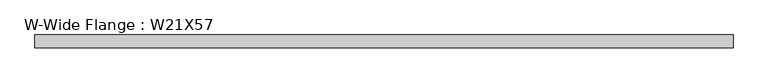
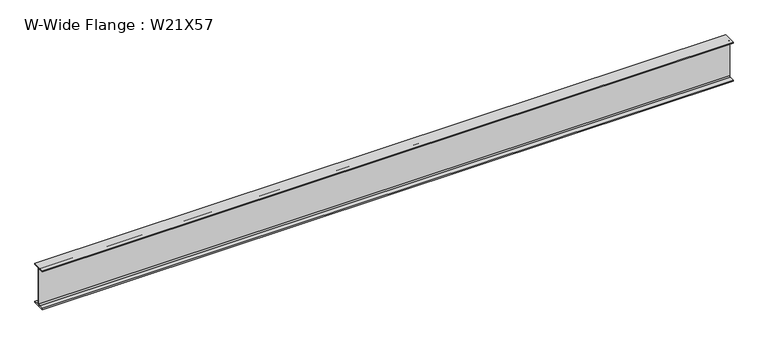
"""IFC4 building model written with IfcOpenShell, lengths in millimetres: beam geometry, W-Wide Flange : W21X57."""

from ifc_helpers import new_model, si_unit, point, frame, frame_2d, origin, place, context, project, spatial, polyline, circle_curve, trimmed, segment, composite_curve, outline, extrude, source, transform, mapped, element, save


def w_wide_flange_w21x57_67bdc6f0(model_context):
    return source(origin(), model_context, "Body", "SweptSolid", [
        extrude(outline(composite_curve([segment(polyline([(83.2941406, -251.5195313), (83.2941406, -267.9898438), (-83.2941406, -267.9898438), (-83.2941406, -251.5195313), (-22.0265625, -251.5195313)]), True, "CONTINUOUS"), segment(trimmed(circle_curve(frame_2d((-22.0265625, -234.6523438)), 16.8671875), [point((-22.0265625, -251.5195313))], [point((-5.159375, -234.6523438))], True, "CARTESIAN"), True, "CONTINUOUS"), segment(polyline([(-5.159375, -234.6523438), (-5.159375, 234.6523437)]), True, "CONTINUOUS"), segment(trimmed(circle_curve(frame_2d((-22.0265625, 234.6523437)), 16.8671875), [point((-5.159375, 234.6523437))], [point((-22.0265625, 251.5195312))], True, "CARTESIAN"), True, "CONTINUOUS"), segment(polyline([(-22.0265625, 251.5195312), (-83.2941406, 251.5195312), (-83.2941406, 267.9898437), (83.2941406, 267.9898437), (83.2941406, 251.5195312), (22.0265625, 251.5195312)]), True, "CONTINUOUS"), segment(trimmed(circle_curve(frame_2d((22.0265625, 234.6523437)), 16.8671875), [point((22.0265625, 251.5195312))], [point((5.159375, 234.6523437))], True, "CARTESIAN"), True, "CONTINUOUS"), segment(polyline([(5.159375, 234.6523437), (5.159375, -234.6523438)]), True, "CONTINUOUS"), segment(trimmed(circle_curve(frame_2d((22.0265625, -234.6523438)), 16.8671875), [point((5.159375, -234.6523438))], [point((22.0265625, -251.5195313))], True, "CARTESIAN"), True, "CONTINUOUS"), segment(polyline([(22.0265625, -251.5195313), (83.2941406, -251.5195313)]), True, "CONTINUOUS")], self_intersect=False)), frame((-4476.75, 0.0, 0.0), z_axis=(1.0, 0.0, 0.0), x_axis=(0.0, 1.0, 0.0)), (0.0, 0.0, 1.0), 8953.103125),
    ])


if __name__ == "__main__":
    model = new_model("IFC4")
    model_context = context("Model", 3, world=origin())
    ifc_project = project(units=[si_unit("LENGTHUNIT", "METRE", prefix="MILLI")], contexts=[model_context])
    site = spatial("IfcSite", under=ifc_project)
    building = spatial("IfcBuilding", under=site)
    placement = place(None, origin())
    w_wide_flange_w21x57_shape = w_wide_flange_w21x57_67bdc6f0(model_context)
    element("IfcBeam", 1, ObjectType="W-Wide Flange : W21X57", at=placement, inside=building, context=model_context, shape_type="MappedRepresentation", body=[
        mapped(w_wide_flange_w21x57_shape, transform((0.0, 0.0, 0.0), x_axis=(1.0, 0.0, 0.0), y_axis=(0.0, 1.0, 0.0), z_axis=(0.0, 0.0, 1.0))),
    ])
    save(model, "model.ifc")
